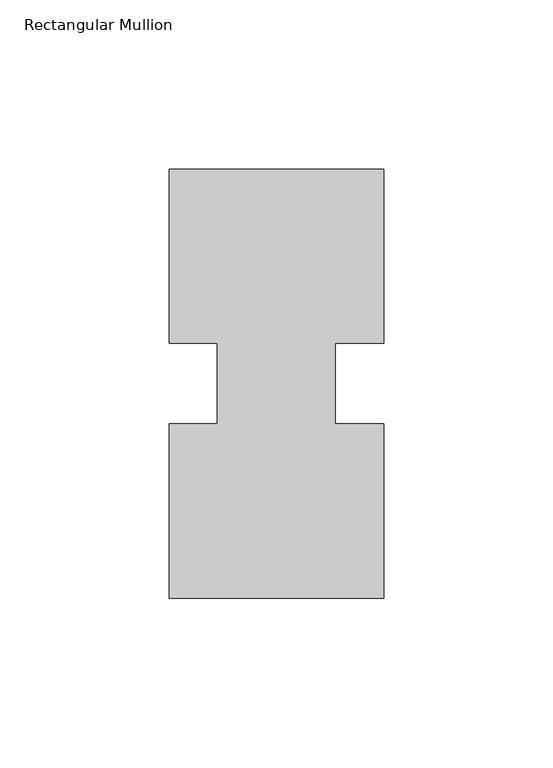
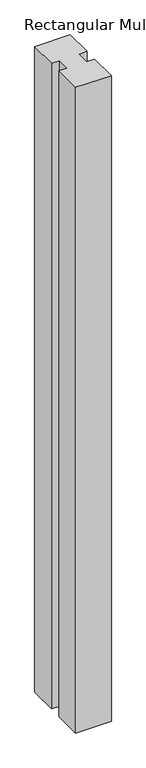
"""IFC4 building model written with IfcOpenShell, lengths in millimetres: member geometry, Rectangular Mullion."""

import ifcopenshell
import ifcopenshell.guid

model = None  # the IFC model being written
_history = None  # IfcOwnerHistory: only IFC2X3 demands one
_inside = {}  # id of a spatial element -> (the spatial element, [elements in it])
_under = {}  # id of a project, library or spatial element -> (it, [spatial elements below it])
_declared = {}  # id of a project -> (the project, [libraries it declares])
_typed = {}  # id of a type object -> (the type object, [elements of that type])
_made_of = {}  # id of a material, layer set ... -> (it, [elements and type objects made of it])


def new_model(schema):
    """Start an empty IFC model of exactly this schema.

    Asked for "IFC4X3", IfcOpenShell would pick the latest addendum, in which some entities
    have other attributes; the version numbers below select the first issue.
    IFC2X3 requires an IfcOwnerHistory on every rooted entity: one is made here for all.
    """
    global model, _history
    if schema == "IFC4X3":
        model = ifcopenshell.file(schema_version=(4, 3, 0, 0))
    else:
        model = ifcopenshell.file(schema=schema)
    _inside.clear()
    _under.clear()
    _declared.clear()
    _typed.clear()
    _made_of.clear()
    _history = None
    if model.schema == "IFC2X3":
        org = make("IfcOrganization", Name="unknown")
        user = make(
            "IfcPersonAndOrganization",
            ThePerson=make("IfcPerson", FamilyName="unknown"),
            TheOrganization=org,
        )
        app = make(
            "IfcApplication",
            ApplicationDeveloper=org,
            Version="unknown",
            ApplicationFullName="unknown",
            ApplicationIdentifier="unknown",
        )
        _history = make(
            "IfcOwnerHistory",
            OwningUser=user,
            OwningApplication=app,
            ChangeAction="ADDED",
            CreationDate=0,
        )
    return model


def make(cls, **values):
    """One entity of the class cls with the attributes given. An attribute that is None is left unset."""
    return model.create_entity(
        cls, **{name: value for name, value in values.items() if value is not None}
    )


def rooted(cls, **values):
    """An entity with a GlobalId (a new one), such as an element, a storey or a relation."""
    return make(cls, GlobalId=ifcopenshell.guid.new(), OwnerHistory=_history, **values)


def si_unit(unit_type, name, prefix=None):
    """IfcSIUnit, for example si_unit("LENGTHUNIT", "METRE", prefix="MILLI")."""
    return make("IfcSIUnit", UnitType=unit_type, Prefix=prefix, Name=name)


def assignment(units):
    """IfcUnitAssignment: the units of a project."""
    return None if units is None else make("IfcUnitAssignment", Units=units)


def point(xyz):
    """IfcCartesianPoint."""
    return None if xyz is None else make("IfcCartesianPoint", Coordinates=xyz)


def direction(xyz):
    """IfcDirection."""
    return None if xyz is None else make("IfcDirection", DirectionRatios=xyz)


def frame(location, z_axis=None, x_axis=None):
    """IfcAxis2Placement3D, a coordinate frame: its origin and axes. An axis left out is left unset."""
    return make(
        "IfcAxis2Placement3D",
        Location=point(location),
        Axis=direction(z_axis),
        RefDirection=direction(x_axis),
    )


def origin():
    """The frame at (0, 0, 0) with its axes left unset."""
    return frame((0.0, 0.0, 0.0))


def place(relative_to, where):
    """IfcLocalPlacement: puts the frame where relative to a parent placement (None: the world)."""
    return make(
        "IfcLocalPlacement", PlacementRelTo=relative_to, RelativePlacement=where
    )


def context(
    kind, dimensions, precision=None, world=None, true_north=None, identifier=None
):
    """IfcGeometricRepresentationContext, for example the 3D "Model" context."""
    return make(
        "IfcGeometricRepresentationContext",
        ContextIdentifier=identifier,
        ContextType=kind,
        CoordinateSpaceDimension=dimensions,
        Precision=precision,
        WorldCoordinateSystem=world,
        TrueNorth=true_north,
    )


def project(units=None, contexts=None):
    """IfcProject with its units and contexts."""
    return rooted(
        "IfcProject",
        Name="project",
        RepresentationContexts=contexts,
        UnitsInContext=assignment(units),
    )


def spatial(cls, under=None, at=None, **own):
    """A site, building, storey or space (cls), placed at a placement, below another one or the project."""
    s = rooted(cls, ObjectPlacement=at, **own)
    if under is not None:
        _under.setdefault(under.id(), (under, []))[1].append(s)
    return s


def polyline(points):
    """IfcPolyline through the points."""
    return make("IfcPolyline", Points=[point(p) for p in points])


def outline(outer, holes=None, kind="AREA"):
    """IfcArbitraryClosedProfileDef: a profile drawn as a closed curve; with holes, ...WithVoids."""
    if holes is None:
        return make("IfcArbitraryClosedProfileDef", ProfileType=kind, OuterCurve=outer)
    return make(
        "IfcArbitraryProfileDefWithVoids",
        ProfileType=kind,
        OuterCurve=outer,
        InnerCurves=holes,
    )


def extrude(swept, where, along, depth):
    """IfcExtrudedAreaSolid: the profile swept, set in the frame where, extruded along a direction by depth."""
    return make(
        "IfcExtrudedAreaSolid",
        SweptArea=swept,
        Position=where,
        ExtrudedDirection=direction(along),
        Depth=depth,
    )


def shape(context_of_items, identifier, shape_type, items):
    """IfcShapeRepresentation: the items that make up one representation, for example the "Body"."""
    return make(
        "IfcShapeRepresentation",
        ContextOfItems=context_of_items,
        RepresentationIdentifier=identifier,
        RepresentationType=shape_type,
        Items=items,
    )


def source(mapping_origin, context_of_items, identifier, shape_type, items):
    """IfcRepresentationMap: a shape defined once, which mapped items show again and again."""
    return make(
        "IfcRepresentationMap",
        MappingOrigin=mapping_origin,
        MappedRepresentation=shape(context_of_items, identifier, shape_type, items),
    )


def transform(
    local_origin,
    x_axis=None,
    y_axis=None,
    z_axis=None,
    scale=None,
    scale2=None,
    scale3=None,
    uniform=True,
):
    """IfcCartesianTransformationOperator3D, or its non-uniform kind. x_axis, y_axis, z_axis: its Axis1, 2, 3."""
    if uniform:
        return make(
            "IfcCartesianTransformationOperator3D",
            Axis1=direction(x_axis),
            Axis2=direction(y_axis),
            LocalOrigin=point(local_origin),
            Scale=scale,
            Axis3=direction(z_axis),
        )
    return make(
        "IfcCartesianTransformationOperator3DnonUniform",
        Axis1=direction(x_axis),
        Axis2=direction(y_axis),
        LocalOrigin=point(local_origin),
        Scale=scale,
        Axis3=direction(z_axis),
        Scale2=scale2,
        Scale3=scale3,
    )


def mapped(mapping_source, mapping_target):
    """IfcMappedItem: shows the shape of a source again, moved by a transform."""
    return make(
        "IfcMappedItem", MappingSource=mapping_source, MappingTarget=mapping_target
    )


def made_of(thing, what):
    """Note that an element or type object is made of a material, layer set ...; save() writes the relation."""
    if what is not None:
        _made_of.setdefault(what.id(), (what, []))[1].append(thing)
    return thing


def element(
    cls,
    number,
    at=None,
    inside=None,
    cuts=None,
    type_object=None,
    material=None,
    context=None,
    identifier="Body",
    shape_type=None,
    held_by="IfcProductDefinitionShape",
    body=None,
    shapes=None,
    **own,
):
    """One element of the class cls, such as IfcWall. Its Tag is "e" and its number.

    at: its placement. inside: the storey or other place that contains it. cuts: it is an
    opening in that element (IfcRelVoidsElement). A single representation is given by context,
    identifier, shape_type and body (its items); several are given by shapes. held_by: the class
    of the entity that holds the representations. save() writes the other relations.
    """
    e = rooted(cls, Tag="e%d" % number, ObjectPlacement=at, **own)
    if body is not None:
        shapes = [shape(context, identifier, shape_type, body)]
    if shapes is not None:
        e.Representation = make(held_by, Representations=shapes)
    if inside is not None:
        _inside.setdefault(inside.id(), (inside, []))[1].append(e)
    if cuts is not None:
        rooted(
            "IfcRelVoidsElement", RelatingBuildingElement=cuts, RelatedOpeningElement=e
        )
    if type_object is not None:
        _typed.setdefault(type_object.id(), (type_object, []))[1].append(e)
    return made_of(e, material)


def aggregate(whole, parts):
    """IfcRelAggregates: a whole, such as a stair, and the parts it consists of."""
    return rooted("IfcRelAggregates", RelatingObject=whole, RelatedObjects=parts)


def save(model, path):
    """Write the relations noted so far, then the file.

    IfcRelAggregates (storeys below a building ...), IfcRelContainedInSpatialStructure (elements
    in a storey), IfcRelDefinesByType, IfcRelAssociatesMaterial and IfcRelDeclares: one each for
    every whole, place, type object, material and project.
    """
    for whole, parts in _under.values():
        aggregate(whole, parts)
    for where, things in _inside.values():
        rooted(
            "IfcRelContainedInSpatialStructure",
            RelatedElements=things,
            RelatingStructure=where,
        )
    for kind, things in _typed.values():
        rooted("IfcRelDefinesByType", RelatedObjects=things, RelatingType=kind)
    for what, things in _made_of.values():
        rooted("IfcRelAssociatesMaterial", RelatedObjects=things, RelatingMaterial=what)
    for by, libraries in _declared.values():
        rooted("IfcRelDeclares", RelatingContext=by, RelatedDefinitions=libraries)
    model.write(path)


def rectangular_mullion_31e8195c(model_context):
    return source(origin(), model_context, "Body", "SweptSolid", [
        extrude(outline(polyline([(31.75, 75.40625), (17.4625, 75.40625), (17.4625, 51.60645), (31.75, 51.60645), (31.75, 0.00635), (-31.75, 0.00635), (-31.75, 51.60645), (-17.4625, 51.60645), (-17.4625, 75.40625), (-31.75, 75.40625), (-31.75, 127.00635), (31.75, 127.00635), (31.75, 75.40625)])), frame((0.0, 0.0, -1219.2), z_axis=(0.0, 0.0, 1.0), x_axis=(1.0, 0.0, 0.0)), (0.0, 0.0, 1.0), 1219.2),
    ])


if __name__ == "__main__":
    model = new_model("IFC4")
    model_context = context("Model", 3, world=origin())
    ifc_project = project(units=[si_unit("LENGTHUNIT", "METRE", prefix="MILLI")], contexts=[model_context])
    site = spatial("IfcSite", under=ifc_project)
    building = spatial("IfcBuilding", under=site)
    placement = place(None, origin())
    rectangular_mullion_shape = rectangular_mullion_31e8195c(model_context)
    element("IfcMember", 1, ObjectType="Rectangular Mullion", at=placement, inside=building, context=model_context, shape_type="MappedRepresentation", body=[
        mapped(rectangular_mullion_shape, transform((0.0, 0.0, 0.0), x_axis=(1.0, 0.0, 0.0), y_axis=(0.0, 1.0, 0.0), z_axis=(0.0, 0.0, 1.0))),
    ])
    save(model, "model.ifc")
